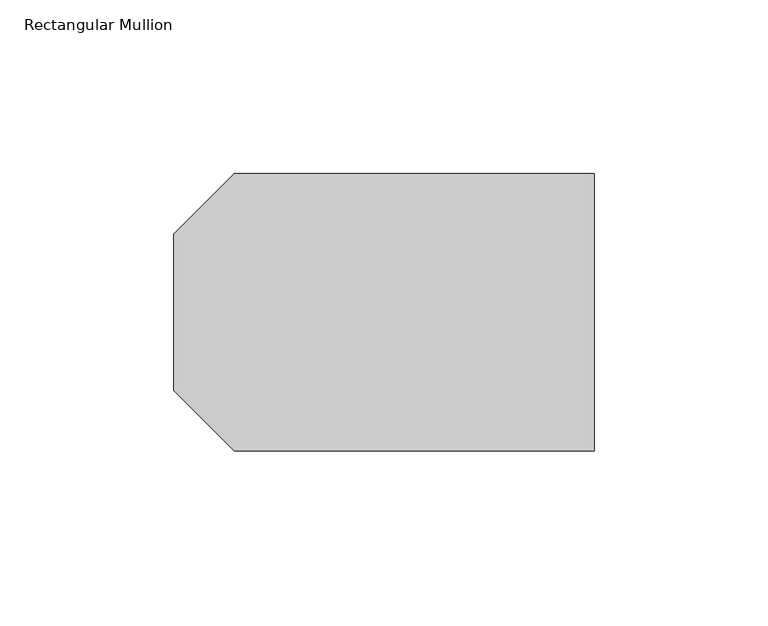
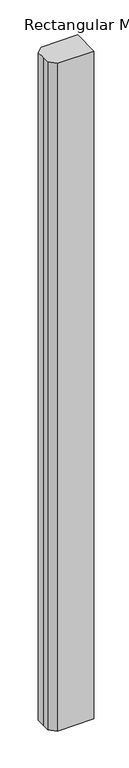
"""IFC4 building model written with IfcOpenShell, lengths in millimetres: member geometry, Rectangular Mullion."""

from ifc_helpers import new_model, si_unit, frame, origin, place, context, project, spatial, polyline, outline, extrude, source, transform, mapped, element, save


def rectangular_mullion_450b5d6d(model_context):
    return source(origin(), model_context, "Body", "SweptSolid", [
        extrude(outline(polyline([(-121.0, 22.5), (-103.597438, 39.902562), (0.0, 39.902562), (0.0, -39.902562), (-103.597438, -39.902562), (-121.0, -22.5), (-121.0, 0.0), (-121.0, 22.5)])), frame((0.0, 0.0, -1999.9999998), z_axis=(0.0, 0.0, 1.0), x_axis=(1.0, 0.0, 0.0)), (0.0, 0.0, 1.0), 1999.9999998),
    ])


if __name__ == "__main__":
    model = new_model("IFC4")
    model_context = context("Model", 3, world=origin())
    ifc_project = project(units=[si_unit("LENGTHUNIT", "METRE", prefix="MILLI")], contexts=[model_context])
    site = spatial("IfcSite", under=ifc_project)
    building = spatial("IfcBuilding", under=site)
    placement = place(None, origin())
    rectangular_mullion_shape = rectangular_mullion_450b5d6d(model_context)
    element("IfcMember", 1, ObjectType="Rectangular Mullion", at=placement, inside=building, context=model_context, shape_type="MappedRepresentation", body=[
        mapped(rectangular_mullion_shape, transform((0.0, 0.0, 0.0), x_axis=(1.0, 0.0, 0.0), y_axis=(0.0, 1.0, 0.0), z_axis=(0.0, 0.0, 1.0))),
    ])
    save(model, "model.ifc")
